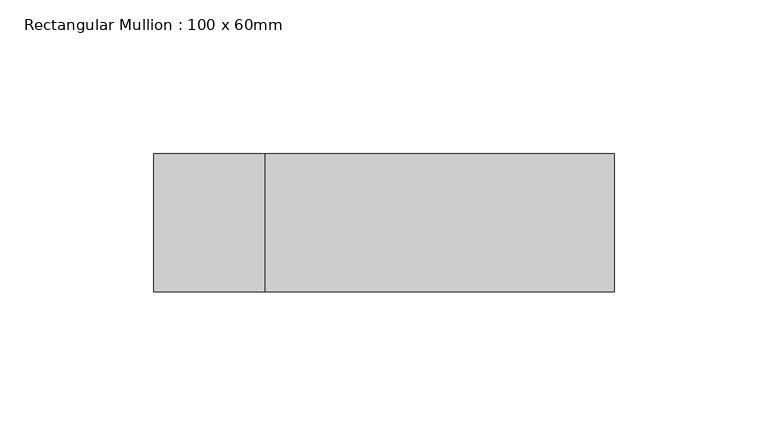
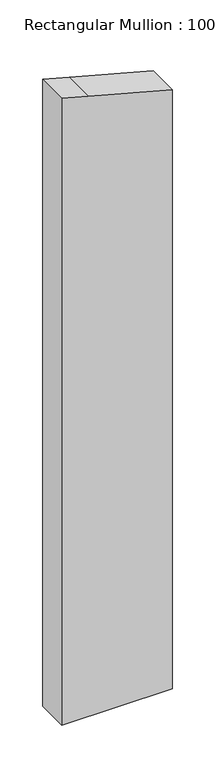
"""IFC4 building model written with IfcOpenShell, lengths in millimetres: member geometry, Rectangular Mullion : 100 x 60mm."""

from ifc_helpers import new_model, si_unit, frame, origin, place, context, project, spatial, polyline, outline, extrude, source, transform, mapped, element, save


def rectangular_mullion_100_x_60mm_331f753f(model_context):
    return source(origin(), model_context, "Body", "SweptSolid", [
        extrude(outline(polyline([(-175.3876165, 75.0), (-144.8888739, -38.8228568), (-135.1952376, -75.0), (-1035.2761804, -75.0), (-1035.2761804, 75.0), (-175.3876165, 75.0)])), frame((0.0, -15.0, 0.0), z_axis=(0.0, 1.0, 0.0), x_axis=(0.0, 0.0, 1.0)), (0.0, 0.0, 1.0), 45.0),
    ])


if __name__ == "__main__":
    model = new_model("IFC4")
    model_context = context("Model", 3, world=origin())
    ifc_project = project(units=[si_unit("LENGTHUNIT", "METRE", prefix="MILLI")], contexts=[model_context])
    site = spatial("IfcSite", under=ifc_project)
    building = spatial("IfcBuilding", under=site)
    placement = place(None, origin())
    rectangular_mullion_100_x_60mm_shape = rectangular_mullion_100_x_60mm_331f753f(model_context)
    element("IfcMember", 1, ObjectType="Rectangular Mullion : 100 x 60mm", at=placement, inside=building, context=model_context, shape_type="MappedRepresentation", body=[
        mapped(rectangular_mullion_100_x_60mm_shape, transform((0.0, 0.0, 0.0), x_axis=(1.0, 0.0, 0.0), y_axis=(0.0, 1.0, 0.0), z_axis=(0.0, 0.0, 1.0))),
    ])
    save(model, "model.ifc")
